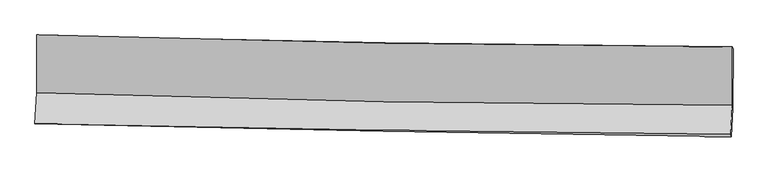
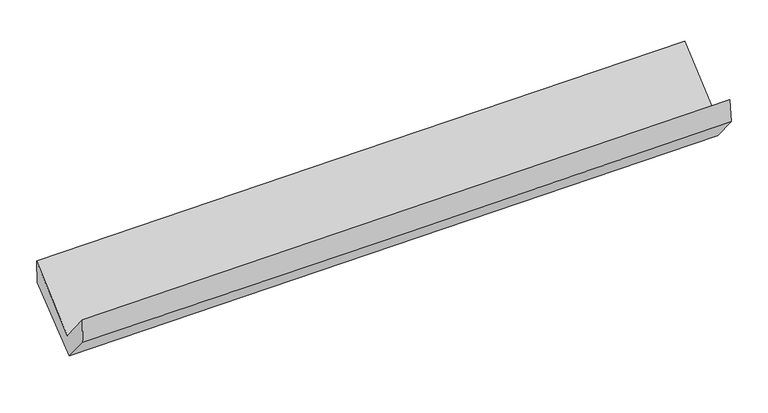
"""IFC4 building model written with IfcOpenShell, lengths in millimetres: proxy geometry."""

from ifc_helpers import new_model, si_unit, frame, origin, place, context, project, spatial, source, transform, mapped, element, save
from ifc_brep_helpers import plane_surface, spline_curve, spline_surface, advanced_brep


def generic_models_9059ced0(model_context):
    return source(origin(), model_context, "Body", "AdvancedBrep", [
        advanced_brep(
        [(-3031.0030562, -1162.8323186, 2180.0170741), (-3030.9854296, -1667.0901513, 1740.0756592), (3021.3249845, -1773.4779257, 1883.4238681), (3021.5430711, -1266.6564244, 2316.8844706), (-3046.1178383, -1936.2420112, 2065.0374323), (3006.8061161, -2026.5971581, 2199.6704086), (-3039.9225517, -1933.8684714, 1838.0690115), (3011.9410963, -2047.767685, 1991.3902293), (-3026.6175859, -1693.6873391, 1555.4285746), (3025.6943757, -1799.4935995, 1699.2261642), (-3025.2101965, -1164.836405, 1964.1125239), (3027.0587523, -1286.8055057, 2095.419839)],
        [
            (0, 1),
            (1, 2, spline_curve(3, [(-3030.9854296, -1667.0901513, 1740.0756592), (-2022.978712923, -1700.715013858, 1778.135131222), (-1014.639183893, -1726.393051004, 1809.110329373), (1002.797560327, -1761.857092908, 1856.89435913), (2011.894835611, -1771.641647263, 1873.701897206), (3021.3249845, -1773.4779257, 1883.4238681)], [4, 2, 4], [0.0, 9.932726554551463, 19.86635966028735])),
            (2, 3),
            (3, 0, spline_curve(3, [(3021.5430711, -1266.6564244, 2316.8844706), (2012.152213373, -1264.392809345, 2306.082216113), (1003.054937757, -1254.60825499, 2289.274678368), (-1014.460384537, -1219.998847323, 2243.651116548), (-2022.878484742, -1195.175366107, 2214.836189096), (-3031.0030562, -1162.8323186, 2180.0170741)], [4, 2, 4], [0.0, 9.933633105735888, 19.86635966028735])),
            (1, 4),
            (4, 5, spline_curve(3, [(-3046.1178383, -1936.2420112, 2065.0374323), (-2037.684961775, -1959.769184446, 2096.138736771), (-1029.081219521, -1979.062216331, 2122.908489453), (988.560067689, -2009.18137168, 2167.786938862), (1997.5976431, -2020.006722051, 2185.894845047), (3006.8061161, -2026.5971581, 2199.6704086)], [4, 2, 4], [0.0, 9.932648123473907, 19.8662027909739])),
            (5, 2),
            (4, 6),
            (6, 7, spline_curve(3, [(-3039.9225517, -1933.8684714, 1838.0690115), (-2031.48215313, -1959.682954136, 1866.899611165), (-1022.963000012, -1982.081519164, 1894.091171154), (994.324868052, -2020.048547566, 1945.198542802), (2003.093597861, -2035.616386679, 1969.114055497), (3011.9410963, -2047.767685, 1991.3902293)], [4, 2, 4], [0.0, 9.932371590636615, 19.86564970006041])),
            (7, 5),
            (6, 8),
            (8, 9, spline_curve(3, [(-3026.6175859, -1693.6873391, 1555.4285746), (-2018.132518543, -1718.695460014, 1583.310263789), (-1009.553673776, -1740.016474711, 1609.233783085), (1007.883629435, -1775.28590112, 1657.166670611), (2016.742105511, -1789.233639847, 1679.175680897), (3025.6943757, -1799.4935995, 1699.2261642)], [4, 2, 4], [0.0, 9.932228824104582, 19.86536415396617])),
            (9, 7),
            (8, 10),
            (10, 11, spline_curve(3, [(-3025.2101965, -1164.836405, 1964.1125239), (-2016.718549951, -1187.372289802, 1993.904700862), (-1008.139999822, -1208.803910348, 2019.742746533), (1009.282967427, -1249.460478712, 2063.512573392), (2018.127400175, -1268.685225021, 2081.443632693), (3027.0587523, -1286.8055057, 2095.419839)], [4, 2, 4], [0.0, 9.932248929939478, 19.865404367471])),
            (11, 9),
            (10, 0),
            (3, 11),
        ],
        [
            spline_surface(3, 3, [[(-3031.0030562, -1162.8323186, 2180.0170741), (-2022.87848469, -1195.175366204, 2214.836189221), (-1014.460384478, -1219.998847193, 2243.65111669), (1003.054937697, -1254.60825512, 2289.274678226), (2012.152213269, -1264.392809419, 2306.082216272), (3021.5430711, -1266.6564244, 2316.8844706)], [(-3030.997180655, -1330.918262814, 2033.369935774), (-2022.911894082, -1363.688582026, 2069.269169869), (-1014.519984225, -1388.796915087, 2098.804187607), (1002.969145203, -1423.691201085, 2145.147905134), (2012.066420775, -1433.475755383, 2161.955443181), (3021.470375577, -1435.59692483, 2172.397603081)], [(-3030.991305145, -1499.004207086, 1886.722797526), (-2022.945303509, -1532.201797907, 1923.702150595), (-1014.579584003, -1557.594982993, 1953.95725858), (1002.883352679, -1592.77414706, 2001.021132098), (2011.980628251, -1602.558701359, 2017.828670145), (3021.397680023, -1604.53742527, 2027.910735619)], [(-3030.9854296, -1667.0901513, 1740.0756592), (-2022.978712901, -1700.71501373, 1778.135131243), (-1014.639183751, -1726.393050887, 1809.110329497), (1002.797560185, -1761.857093025, 1856.894359007), (2011.894835757, -1771.641647323, 1873.701897053), (3021.3249845, -1773.4779257, 1883.4238681)]], [4, 4], [4, 2, 4], [0.0, 2.187993347996418], [0.0, 9.932726554551463, 19.86635966028735]),
            spline_surface(3, 3, [[(-3030.9854296, -1667.0901513, 1740.0756592), (-2022.978712901, -1700.71501373, 1778.135131243), (-1014.639183751, -1726.393050887, 1809.110329497), (1002.797560185, -1761.857093025, 1856.894359007), (2011.894835757, -1771.641647323, 1873.701897053), (3021.3249845, -1773.4779257, 1883.4238681)], [(-3036.029565855, -1756.807437959, 1848.396250253), (-2027.880795891, -1787.066404019, 1884.136333116), (-1019.453195633, -1810.616106072, 1913.709716159), (998.051729311, -1844.29851923, 1960.525218985), (2007.129104931, -1854.430005567, 1977.766213059), (3016.48536171, -1857.851003161, 1988.839381601)], [(-3041.073702045, -1846.524724541, 1956.716841247), (-2032.782878814, -1873.41779423, 1990.137534931), (-1024.267207515, -1894.839161221, 2018.309102766), (993.305898439, -1926.739945401, 2064.156078908), (2002.363374076, -1937.21836383, 2081.830529061), (3011.64573889, -1942.224080639, 2094.254895099)], [(-3046.1178383, -1936.2420112, 2065.0374323), (-2037.684961804, -1959.769184519, 2096.138736805), (-1029.081219398, -1979.062216405, 2122.908489428), (988.560067566, -2009.181371606, 2167.786938886), (1997.59764325, -2020.006722074, 2185.894845067), (3006.8061161, -2026.5971581, 2199.6704086)]], [4, 4], [4, 2, 4], [0.0, 1.3134157918098055], [0.0, 9.932648123473907, 19.8662027909739]),
            spline_surface(3, 3, [[(-3046.1178383, -1936.2420112, 2065.0374323), (-2037.684961804, -1959.769184519, 2096.138736805), (-1029.081219398, -1979.062216405, 2122.908489428), (988.560067566, -2009.181371606, 2167.786938886), (1997.59764325, -2020.006722074, 2185.894845067), (3006.8061161, -2026.5971581, 2199.6704086)], [(-3044.052742758, -1935.450831266, 1989.381292037), (-2035.617358875, -1959.740441034, 2019.725694956), (-1027.041812986, -1980.068650708, 2046.636049962), (990.481667755, -2012.803763532, 2093.590806871), (1999.42962813, -2025.209943624, 2113.634581955), (3008.51777616, -2033.6540004, 2130.243682197)], [(-3041.987647242, -1934.659651334, 1913.725151763), (-2033.54975597, -1959.711697551, 1943.312653096), (-1025.00240654, -1981.075085027, 1970.36361054), (992.403267979, -2016.426155475, 2019.394674898), (2001.26161303, -2030.413165173, 2041.374318752), (3010.22943624, -2040.7108427, 2060.816955703)], [(-3039.9225517, -1933.8684714, 1838.0690115), (-2031.482153041, -1959.682954066, 1866.899611247), (-1022.963000128, -1982.081519329, 1894.091171073), (994.324868169, -2020.0485474, 1945.198542882), (2003.09359791, -2035.616386723, 1969.11405564), (3011.9410963, -2047.767685, 1991.3902293)]], [4, 4], [4, 2, 4], [0.0, 0.7411007485147262], [0.0, 9.932371590636615, 19.86564970006041]),
            spline_surface(3, 3, [[(-3039.9225517, -1933.8684714, 1838.0690115), (-2031.482153041, -1959.682954066, 1866.899611247), (-1022.963000128, -1982.081519329, 1894.091171073), (994.324868169, -2020.0485474, 1945.198542882), (2003.09359791, -2035.616386723, 1969.11405564), (3011.9410963, -2047.767685, 1991.3902293)], [(-3035.487563078, -1853.808093955, 1743.855532523), (-2027.0322748, -1879.353789356, 1772.369828698), (-1018.49322472, -1901.393171118, 1799.138708438), (998.844455283, -1938.46099868, 1849.187918758), (2007.643100478, -1953.488804494, 1872.467930695), (3016.525522784, -1965.009656525, 1894.0022076)], [(-3031.052574522, -1773.747716545, 1649.642053577), (-2022.582396627, -1799.02462468, 1677.840046179), (-1014.023449286, -1820.704822854, 1704.186245812), (1003.364042423, -1856.873449908, 1753.177294643), (2012.192602992, -1871.361222191, 1775.821805748), (3021.109949216, -1882.251627975, 1796.6141859)], [(-3026.6175859, -1693.6873391, 1555.4285746), (-2018.132518386, -1718.69545997, 1583.310263631), (-1009.553673878, -1740.016474643, 1609.233783177), (1007.883629538, -1775.285901188, 1657.166670519), (2016.74210556, -1789.233639962, 1679.175680803), (3025.6943757, -1799.4935995, 1699.2261642)]], [4, 4], [4, 2, 4], [0.0, 1.2340616128067474], [0.0, 9.932228824104582, 19.86536415396617]),
            spline_surface(3, 3, [[(-3026.6175859, -1693.6873391, 1555.4285746), (-2018.132518386, -1718.69545997, 1583.310263631), (-1009.553673878, -1740.016474643, 1609.233783177), (1007.883629538, -1775.285901188, 1657.166670519), (2016.74210556, -1789.233639962, 1679.175680803), (3025.6943757, -1799.4935995, 1699.2261642)], [(-3026.1484561, -1517.403694405, 1691.656557699), (-2017.66119553, -1541.587736532, 1720.175076002), (-1009.082449138, -1562.945619841, 1746.070104306), (1008.350075486, -1600.010760362, 1792.615304812), (2017.203870414, -1615.717501638, 1813.264998051), (3026.149167868, -1628.597568221, 1831.290722435)], [(-3025.6793263, -1341.120049695, 1827.884540801), (-2017.189872675, -1364.480013078, 1857.039888376), (-1008.611224457, -1385.874765096, 1882.906425416), (1008.816521374, -1424.735619592, 1928.063939087), (2017.665635362, -1442.201363351, 1947.354315392), (3026.603960132, -1457.701536979, 1963.355280765)], [(-3025.2101965, -1164.836405, 1964.1125239), (-2016.718549818, -1187.372289639, 1993.904700748), (-1008.139999717, -1208.803910294, 2019.742746546), (1009.282967322, -1249.460478766, 2063.51257338), (2018.127400215, -1268.685225027, 2081.443632639), (3027.0587523, -1286.8055057, 2095.419839)]], [4, 4], [4, 2, 4], [0.0, 2.1914116020735097], [0.0, 9.932248929939478, 19.865404367471]),
            spline_surface(3, 3, [[(-3025.2101965, -1164.836405, 1964.1125239), (-2016.718549818, -1187.372289639, 1993.904700748), (-1008.139999717, -1208.803910294, 2019.742746546), (1009.282967322, -1249.460478766, 2063.51257338), (2018.127400215, -1268.685225027, 2081.443632639), (3027.0587523, -1286.8055057, 2095.419839)], [(-3027.141149754, -1164.1683762, 2036.080707313), (-2018.771861463, -1189.973315161, 2067.548530252), (-1010.246794647, -1212.535555926, 2094.378869938), (1007.206957437, -1251.176404216, 2138.76660834), (2016.135671234, -1267.254419821, 2156.323160535), (3025.2201919, -1280.089145264, 2169.241382884)], [(-3029.072102946, -1163.5003474, 2108.048890687), (-2020.825173045, -1192.574340682, 2141.192359717), (-1012.353589547, -1216.267201561, 2169.014993297), (1005.130947582, -1252.892329669, 2214.020643266), (2014.143942251, -1265.823614624, 2231.202688377), (3023.3816315, -1273.372784836, 2243.062926716)], [(-3031.0030562, -1162.8323186, 2180.0170741), (-2022.87848469, -1195.175366204, 2214.836189221), (-1014.460384478, -1219.998847193, 2243.65111669), (1003.054937697, -1254.60825512, 2289.274678226), (2012.152213269, -1264.392809419, 2306.082216272), (3021.5430711, -1266.6564244, 2316.8844706)]], [4, 4], [4, 2, 4], [0.0, 0.7384226390827537], [0.0, 9.932410769452229, 19.865728061267454]),
            plane_surface(frame((3019.0613993, -1700.1330497, 2031.0024966), z_axis=(0.9993571461580077, -0.02354921935533591, 0.02703199383465715), x_axis=(0.0021057289996620284, 0.7912641289020836, 0.611470885830394))),
            plane_surface(frame((-3033.309443, -1593.0927828, 1890.4567126), z_axis=(-0.9993571461580238, 0.023549219355051165, -0.02703199383430527), x_axis=(0.026819844765574932, -0.009278540885321622, -0.999597221187509))),
        ],
        [
            (0, [[1, 2, 3, 4]]),
            (1, [[5, 6, 7, -2]]),
            (2, [[8, 9, 10, -6]]),
            (3, [[11, 12, 13, -9]]),
            (4, [[14, 15, 16, -12]]),
            (5, [[17, -4, 18, -15]]),
            (6, [[-16, -18, -3, -7, -10, -13]]),
            (7, [[-17, -14, -11, -8, -5, -1]]),
        ],
    ),
    ])


if __name__ == "__main__":
    model = new_model("IFC4")
    model_context = context("Model", 3, world=origin())
    ifc_project = project(units=[si_unit("LENGTHUNIT", "METRE", prefix="MILLI")], contexts=[model_context])
    site = spatial("IfcSite", under=ifc_project)
    building = spatial("IfcBuilding", under=site)
    placement = place(None, origin())
    generic_models_shape = generic_models_9059ced0(model_context)
    element("IfcBuildingElementProxy", 1, Name="Generic Models", at=placement, inside=building, context=model_context, shape_type="MappedRepresentation", body=[
        mapped(generic_models_shape, transform((0.0, 0.0, 0.0), x_axis=(1.0, 0.0, 0.0), y_axis=(0.0, 1.0, 0.0), z_axis=(0.0, 0.0, 1.0))),
    ])
    save(model, "model.ifc")
